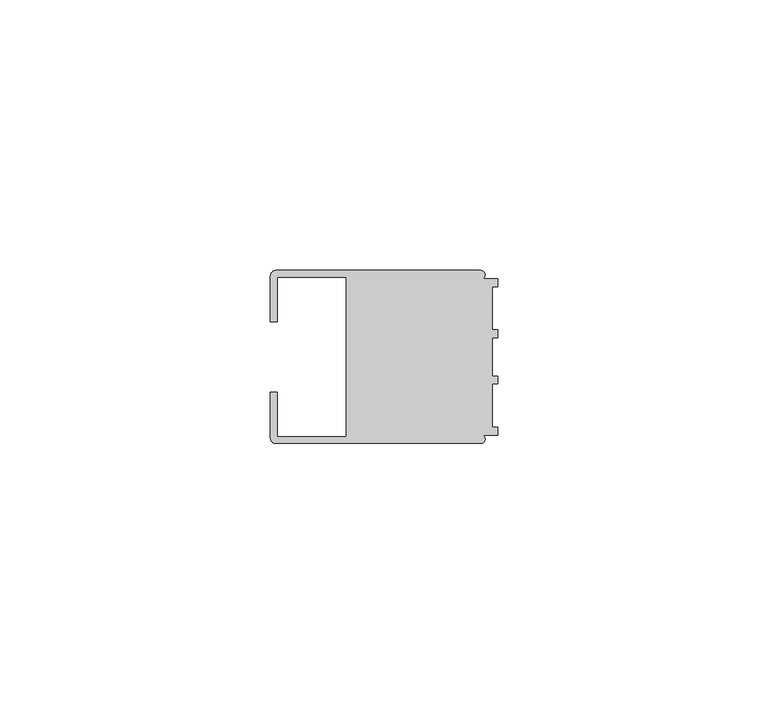
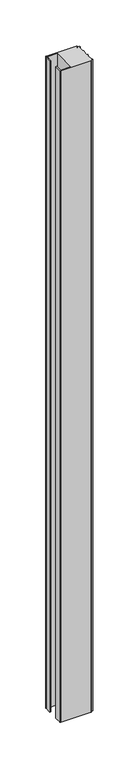
"""IFC4 building model written with IfcOpenShell, lengths in millimetres: member geometry."""

from ifc_helpers import new_model, si_unit, point, frame, frame_2d, origin, place, context, project, spatial, polyline, circle_curve, trimmed, segment, composite_curve, outline, extrude, source, transform, mapped, element, save


def member_bc6c30ae(model_context):
    return source(origin(), model_context, "Body", "SweptSolid", [
        extrude(outline(composite_curve([segment(polyline([(-42.0, -6.4992596), (-40.7495396, -6.4992596), (-40.7495396, -14.748825), (-28.0, -14.748825), (-28.0, 14.7490791), (-40.7495396, 14.7490791), (-40.7495396, 6.4995138), (-42.0, 6.4995138), (-42.0, 14.9988146)]), True, "CONTINUOUS"), segment(trimmed(circle_curve(frame_2d((-40.9988146, 14.9988146)), 1.0011854), [point((-42.0, 14.9988146))], [point((-40.9988146, 16.0))], False, "CARTESIAN"), True, "CONTINUOUS"), segment(polyline([(-40.9988146, 16.0), (-3.1117213, 16.0)]), True, "CONTINUOUS"), segment(trimmed(circle_curve(frame_2d((-3.1117213, 15.2000428)), 0.7999572), [point((-3.1117213, 16.0))], [point((-2.7237818, 14.5004469))], False, "CARTESIAN"), True, "CONTINUOUS"), segment(polyline([(-2.7237818, 14.5004469), (0.0, 14.5004469), (0.0, 13.0002136), (-0.999267, 13.0002136), (-0.999267, 5.0005709), (0.0, 5.0005709), (0.0, 3.5391588), (-0.999267, 3.5001879), (-0.999267, -3.5001879), (0.0, -3.5378881), (0.0, -4.9993001), (-0.999267, -4.9993001), (-0.999267, -12.9993664), (0.0, -12.9993664), (0.0, -14.4989182), (-2.7260256, -14.4989182)]), True, "CONTINUOUS"), segment(trimmed(circle_curve(frame_2d((-3.1117577, -15.2001372)), 0.8003107), [point((-2.7260256, -14.4989182))], [point((-3.1385263, -16.0))], False, "CARTESIAN"), True, "CONTINUOUS"), segment(polyline([(-3.1385263, -16.0), (-40.998921, -16.0)]), True, "CONTINUOUS"), segment(trimmed(circle_curve(frame_2d((-40.998921, -14.998921)), 1.001079), [point((-40.998921, -16.0))], [point((-42.0, -14.998921))], False, "CARTESIAN"), True, "CONTINUOUS"), segment(polyline([(-42.0, -14.998921), (-42.0, -6.4992596)]), True, "CONTINUOUS")], self_intersect=False)), frame((0.0, 0.0, -872.7561968), z_axis=(0.0, 0.0, 1.0), x_axis=(1.0, 0.0, 0.0)), (0.0, 0.0, 1.0), 872.7561968),
    ])


if __name__ == "__main__":
    model = new_model("IFC4")
    model_context = context("Model", 3, world=origin())
    ifc_project = project(units=[si_unit("LENGTHUNIT", "METRE", prefix="MILLI")], contexts=[model_context])
    site = spatial("IfcSite", under=ifc_project)
    building = spatial("IfcBuilding", under=site)
    placement = place(None, origin())
    member_shape = member_bc6c30ae(model_context)
    element("IfcMember", 1, at=placement, inside=building, context=model_context, shape_type="MappedRepresentation", body=[
        mapped(member_shape, transform((0.0, 0.0, 0.0), x_axis=(1.0, 0.0, 0.0), y_axis=(0.0, 1.0, 0.0), z_axis=(0.0, 0.0, 1.0))),
    ])
    save(model, "model.ifc")
